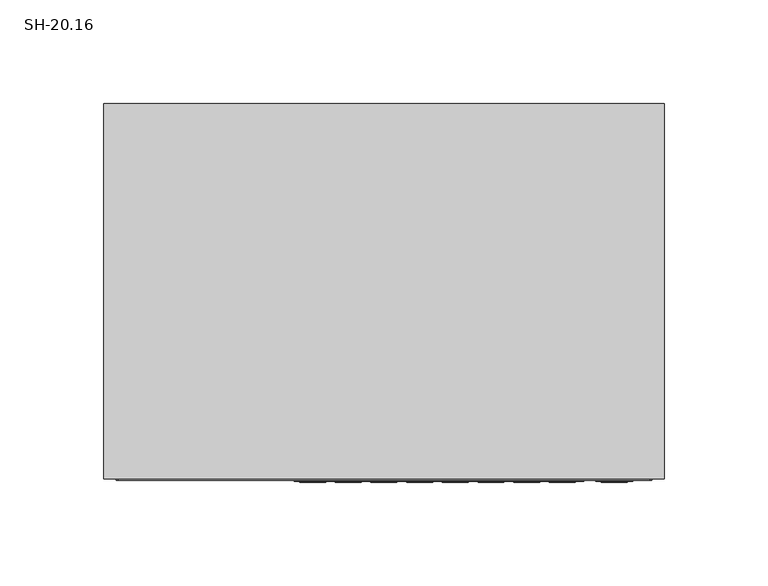
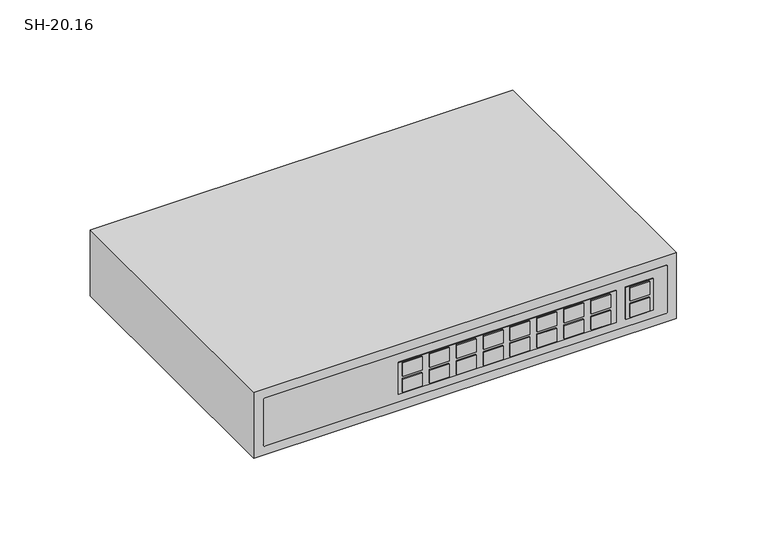
"""IFC4 building model written with IfcOpenShell, lengths in millimetres: proxy geometry, SH-20.16."""

from ifc_helpers import new_model, si_unit, point, frame, frame_2d, origin, place, context, project, spatial, polyline, circle_curve, trimmed, segment, composite_curve, outline, extrude, source, transform, mapped, element, save


def sh_20_16_d1e7c921(model_context):
    return source(origin(), model_context, "Body", "SweptSolid", [
        extrude(outline(polyline([(135.0, 0.0), (135.0, -181.0), (-135.0, -181.0), (-135.0, 0.0), (135.0, 0.0)])), frame((0.0, 0.0, 500.0), z_axis=(0.0, 0.0, 1.0), x_axis=(1.0, 0.0, 0.0)), (0.0, 0.0, 1.0), 44.5),
        extrude(outline(polyline([(117.0807773, -182.5), (104.6040851, -182.5), (104.6040851, -181.0), (117.0807773, -181.0), (117.0807773, -182.5)])), frame((0.0, 0.0, 512.2700087), z_axis=(0.0, 0.0, 1.0), x_axis=(1.0, 0.0, 0.0)), (0.0, 0.0, 1.0), 9.0),
        extrude(outline(polyline([(117.0807773, -182.5), (104.6040851, -182.5), (104.6040851, -181.0), (117.0807773, -181.0), (117.0807773, -182.5)])), frame((0.0, 0.0, 523.1817061), z_axis=(0.0, 0.0, 1.0), x_axis=(1.0, 0.0, 0.0)), (0.0, 0.0, 1.0), 9.0),
        extrude(outline(polyline([(119.7502735, -182.0), (102.1202527, -182.0), (102.1202527, -181.0), (119.7502735, -181.0), (119.7502735, -182.0)])), frame((0.0, 0.0, 511.5), z_axis=(0.0, 0.0, 1.0), x_axis=(1.0, 0.0, 0.0)), (0.0, 0.0, 1.0), 21.4517148),
        extrude(outline(polyline([(92.1675041, -182.5), (79.6908119, -182.5), (79.6908119, -181.0), (92.1675041, -181.0), (92.1675041, -182.5)])), frame((0.0, 0.0, 512.2700087), z_axis=(0.0, 0.0, 1.0), x_axis=(1.0, 0.0, 0.0)), (0.0, 0.0, 1.0), 9.0),
        extrude(outline(polyline([(92.1675041, -182.5), (79.6908119, -182.5), (79.6908119, -181.0), (92.1675041, -181.0), (92.1675041, -182.5)])), frame((0.0, 0.0, 523.1817061), z_axis=(0.0, 0.0, 1.0), x_axis=(1.0, 0.0, 0.0)), (0.0, 0.0, 1.0), 9.0),
        extrude(outline(polyline([(74.9756027, -182.5), (62.4989104, -182.5), (62.4989104, -181.0), (74.9756027, -181.0), (74.9756027, -182.5)])), frame((0.0, 0.0, 512.2700087), z_axis=(0.0, 0.0, 1.0), x_axis=(1.0, 0.0, 0.0)), (0.0, 0.0, 1.0), 9.0),
        extrude(outline(polyline([(74.9756027, -182.5), (62.4989104, -182.5), (62.4989104, -181.0), (74.9756027, -181.0), (74.9756027, -182.5)])), frame((0.0, 0.0, 523.1817061), z_axis=(0.0, 0.0, 1.0), x_axis=(1.0, 0.0, 0.0)), (0.0, 0.0, 1.0), 9.0),
        extrude(outline(polyline([(57.7837012, -182.5), (45.307009, -182.5), (45.307009, -181.0), (57.7837012, -181.0), (57.7837012, -182.5)])), frame((0.0, 0.0, 512.2700087), z_axis=(0.0, 0.0, 1.0), x_axis=(1.0, 0.0, 0.0)), (0.0, 0.0, 1.0), 9.0),
        extrude(outline(polyline([(57.7837012, -182.5), (45.307009, -182.5), (45.307009, -181.0), (57.7837012, -181.0), (57.7837012, -182.5)])), frame((0.0, 0.0, 523.1817061), z_axis=(0.0, 0.0, 1.0), x_axis=(1.0, 0.0, 0.0)), (0.0, 0.0, 1.0), 9.0),
        extrude(outline(polyline([(40.5917998, -182.5), (28.1151075, -182.5), (28.1151075, -181.0), (40.5917998, -181.0), (40.5917998, -182.5)])), frame((0.0, 0.0, 512.2700087), z_axis=(0.0, 0.0, 1.0), x_axis=(1.0, 0.0, 0.0)), (0.0, 0.0, 1.0), 9.0),
        extrude(outline(polyline([(40.5917998, -182.5), (28.1151075, -182.5), (28.1151075, -181.0), (40.5917998, -181.0), (40.5917998, -182.5)])), frame((0.0, 0.0, 523.1817061), z_axis=(0.0, 0.0, 1.0), x_axis=(1.0, 0.0, 0.0)), (0.0, 0.0, 1.0), 9.0),
        extrude(outline(polyline([(23.3998983, -182.5), (10.9232061, -182.5), (10.9232061, -181.0), (23.3998983, -181.0), (23.3998983, -182.5)])), frame((0.0, 0.0, 512.2700087), z_axis=(0.0, 0.0, 1.0), x_axis=(1.0, 0.0, 0.0)), (0.0, 0.0, 1.0), 9.0),
        extrude(outline(polyline([(23.3998983, -182.5), (10.9232061, -182.5), (10.9232061, -181.0), (23.3998983, -181.0), (23.3998983, -182.5)])), frame((0.0, 0.0, 523.1817061), z_axis=(0.0, 0.0, 1.0), x_axis=(1.0, 0.0, 0.0)), (0.0, 0.0, 1.0), 9.0),
        extrude(outline(polyline([(6.2079969, -182.5), (-6.2686954, -182.5), (-6.2686954, -181.0), (6.2079969, -181.0), (6.2079969, -182.5)])), frame((0.0, 0.0, 512.2700087), z_axis=(0.0, 0.0, 1.0), x_axis=(1.0, 0.0, 0.0)), (0.0, 0.0, 1.0), 9.0),
        extrude(outline(polyline([(6.2079969, -182.5), (-6.2686954, -182.5), (-6.2686954, -181.0), (6.2079969, -181.0), (6.2079969, -182.5)])), frame((0.0, 0.0, 523.1817061), z_axis=(0.0, 0.0, 1.0), x_axis=(1.0, 0.0, 0.0)), (0.0, 0.0, 1.0), 9.0),
        extrude(outline(polyline([(-10.9839046, -182.5), (-23.4605968, -182.5), (-23.4605968, -181.0), (-10.9839046, -181.0), (-10.9839046, -182.5)])), frame((0.0, 0.0, 512.2700087), z_axis=(0.0, 0.0, 1.0), x_axis=(1.0, 0.0, 0.0)), (0.0, 0.0, 1.0), 9.0),
        extrude(outline(polyline([(-10.9839046, -182.5), (-23.4605968, -182.5), (-23.4605968, -181.0), (-10.9839046, -181.0), (-10.9839046, -182.5)])), frame((0.0, 0.0, 523.1817061), z_axis=(0.0, 0.0, 1.0), x_axis=(1.0, 0.0, 0.0)), (0.0, 0.0, 1.0), 9.0),
        extrude(outline(polyline([(-28.175806, -182.5), (-40.6524983, -182.5), (-40.6524983, -181.0), (-28.175806, -181.0), (-28.175806, -182.5)])), frame((0.0, 0.0, 512.2700087), z_axis=(0.0, 0.0, 1.0), x_axis=(1.0, 0.0, 0.0)), (0.0, 0.0, 1.0), 9.0),
        extrude(outline(polyline([(-28.175806, -182.5), (-40.6524983, -182.5), (-40.6524983, -181.0), (-28.175806, -181.0), (-28.175806, -182.5)])), frame((0.0, 0.0, 523.1817061), z_axis=(0.0, 0.0, 1.0), x_axis=(1.0, 0.0, 0.0)), (0.0, 0.0, 1.0), 9.0),
        extrude(outline(polyline([(96.1279254, -182.0), (-43.1363307, -182.0), (-43.1363307, -181.0), (96.1279254, -181.0), (96.1279254, -182.0)])), frame((0.0, 0.0, 511.5), z_axis=(0.0, 0.0, 1.0), x_axis=(1.0, 0.0, 0.0)), (0.0, 0.0, 1.0), 21.4517148),
        extrude(outline(composite_curve([segment(polyline([(538.5, 128.0), (538.5, -128.0)]), True, "CONTINUOUS"), segment(trimmed(circle_curve(frame_2d((537.5, -128.0)), 1.0), [point((538.5, -128.0))], [point((537.5, -129.0))], False, "CARTESIAN"), True, "CONTINUOUS"), segment(polyline([(537.5, -129.0), (507.0, -129.0)]), True, "CONTINUOUS"), segment(trimmed(circle_curve(frame_2d((507.0, -128.0)), 1.0), [point((507.0, -129.0))], [point((506.0, -128.0))], False, "CARTESIAN"), True, "CONTINUOUS"), segment(polyline([(506.0, -128.0), (506.0, 128.0)]), True, "CONTINUOUS"), segment(trimmed(circle_curve(frame_2d((507.0, 128.0)), 1.0), [point((506.0, 128.0))], [point((507.0, 129.0))], False, "CARTESIAN"), True, "CONTINUOUS"), segment(polyline([(507.0, 129.0), (537.5, 129.0)]), True, "CONTINUOUS"), segment(trimmed(circle_curve(frame_2d((537.5, 128.0)), 1.0), [point((537.5, 129.0))], [point((538.5, 128.0))], False, "CARTESIAN"), True, "CONTINUOUS")], self_intersect=False)), frame((0.0, -181.5, 0.0), z_axis=(0.0, 1.0, 0.0), x_axis=(0.0, 0.0, 1.0)), (0.0, 0.0, 1.0), 1.0),
    ])


if __name__ == "__main__":
    model = new_model("IFC4")
    model_context = context("Model", 3, world=origin())
    ifc_project = project(units=[si_unit("LENGTHUNIT", "METRE", prefix="MILLI")], contexts=[model_context])
    site = spatial("IfcSite", under=ifc_project)
    building = spatial("IfcBuilding", under=site)
    placement = place(None, origin())
    sh_20_16_shape = sh_20_16_d1e7c921(model_context)
    element("IfcBuildingElementProxy", 1, Name="SH-20.16", ObjectType="SH-20.16", at=placement, inside=building, context=model_context, shape_type="MappedRepresentation", body=[
        mapped(sh_20_16_shape, transform((0.0, 0.0, 0.0), x_axis=(1.0, 0.0, 0.0), y_axis=(0.0, 1.0, 0.0), z_axis=(0.0, 0.0, 1.0))),
    ])
    save(model, "model.ifc")
